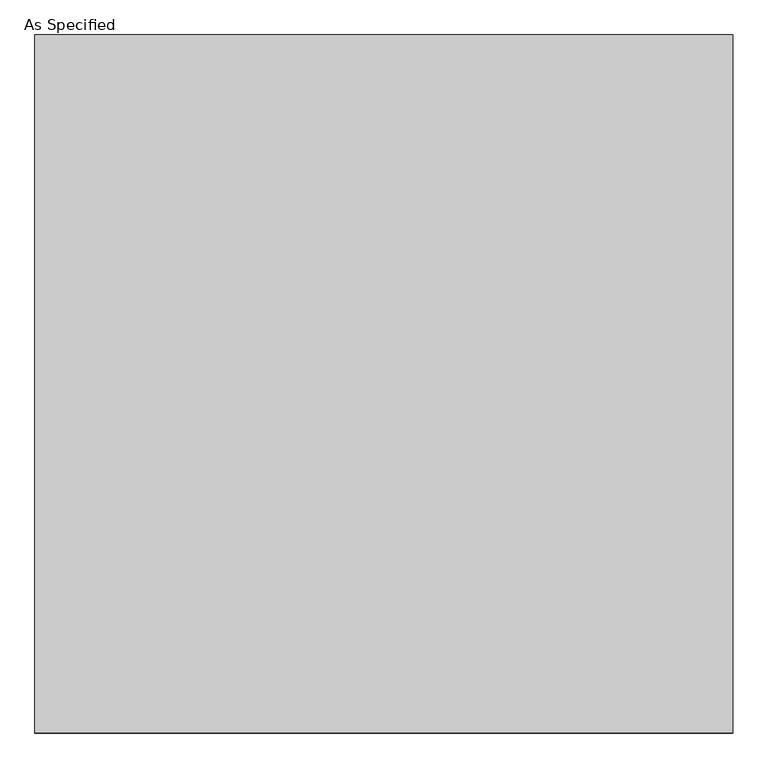
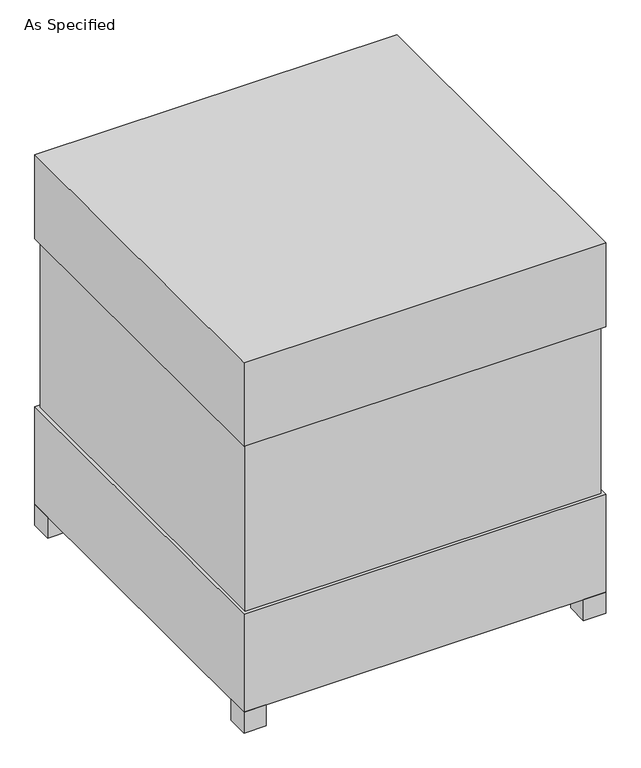
"""IFC4 building model written with IfcOpenShell, lengths in millimetres: proxy geometry, As Specified."""

from ifc_helpers import new_model, si_unit, frame, origin, origin_with_axes, place, context, project, spatial, polyline, outline, extrude, source, transform, mapped, element, save


def as_specified_afa928f5(model_context):
    return source(origin(), model_context, "Body", "SweptSolid", [
        extrude(outline(polyline([(611.1875, 611.1875), (611.1875, -611.1875), (-611.1875, -611.1875), (-611.1875, 611.1875), (611.1875, 611.1875)])), frame((0.0, 0.0, 431.8), z_axis=(0.0, 0.0, 1.0), x_axis=(1.0, 0.0, 0.0)), (0.0, 0.0, 1.0), 609.6),
        extrude(outline(polyline([(622.3, 622.3), (622.3, -622.3), (-622.3, -622.3), (-622.3, 622.3), (622.3, 622.3)])), frame((0.0, 0.0, 1041.4), z_axis=(0.0, 0.0, 1.0), x_axis=(1.0, 0.0, 0.0)), (0.0, 0.0, 1.0), 304.8),
        extrude(outline(polyline([(508.0, 406.4), (508.0, 330.2), (431.8, 330.2), (431.8, 406.4), (508.0, 406.4)])), frame((0.0, 0.0, 50.8), z_axis=(0.0, 0.0, 1.0), x_axis=(1.0, 0.0, 0.0)), (0.0, 0.0, 1.0), 25.4),
        extrude(outline(polyline([(508.0, -330.2), (508.0, -406.4), (431.8, -406.4), (431.8, -330.2), (508.0, -330.2)])), frame((0.0, 0.0, 50.8), z_axis=(0.0, 0.0, 1.0), x_axis=(1.0, 0.0, 0.0)), (0.0, 0.0, 1.0), 25.4),
        extrude(outline(polyline([(-546.1, 622.3), (-546.1, 546.1), (-622.3, 546.1), (-622.3, 622.3), (-546.1, 622.3)])), origin_with_axes(), (0.0, 0.0, 1.0), 76.2),
        extrude(outline(polyline([(622.3, 622.3), (622.3, 546.1), (546.1, 546.1), (546.1, 622.3), (622.3, 622.3)])), origin_with_axes(), (0.0, 0.0, 1.0), 76.2),
        extrude(outline(polyline([(622.3, -546.1), (622.3, -622.3), (546.1, -622.3), (546.1, -546.1), (622.3, -546.1)])), origin_with_axes(), (0.0, 0.0, 1.0), 76.2),
        extrude(outline(polyline([(-546.1, -546.1), (-546.1, -622.3), (-622.3, -622.3), (-622.3, -546.1), (-546.1, -546.1)])), origin_with_axes(), (0.0, 0.0, 1.0), 76.2),
        extrude(outline(polyline([(622.3, 622.3), (622.3, -622.3), (-622.3, -622.3), (-622.3, 622.3), (622.3, 622.3)])), frame((0.0, 0.0, 76.2), z_axis=(0.0, 0.0, 1.0), x_axis=(1.0, 0.0, 0.0)), (0.0, 0.0, 1.0), 355.6),
    ])


if __name__ == "__main__":
    model = new_model("IFC4")
    model_context = context("Model", 3, world=origin())
    ifc_project = project(units=[si_unit("LENGTHUNIT", "METRE", prefix="MILLI")], contexts=[model_context])
    site = spatial("IfcSite", under=ifc_project)
    building = spatial("IfcBuilding", under=site)
    placement = place(None, origin())
    as_specified_shape = as_specified_afa928f5(model_context)
    element("IfcBuildingElementProxy", 1, Name="As Specified", ObjectType="As Specified", at=placement, inside=building, context=model_context, shape_type="MappedRepresentation", body=[
        mapped(as_specified_shape, transform((0.0, 0.0, 0.0), x_axis=(1.0, 0.0, 0.0), y_axis=(0.0, 1.0, 0.0), z_axis=(0.0, 0.0, 1.0))),
    ])
    save(model, "model.ifc")
